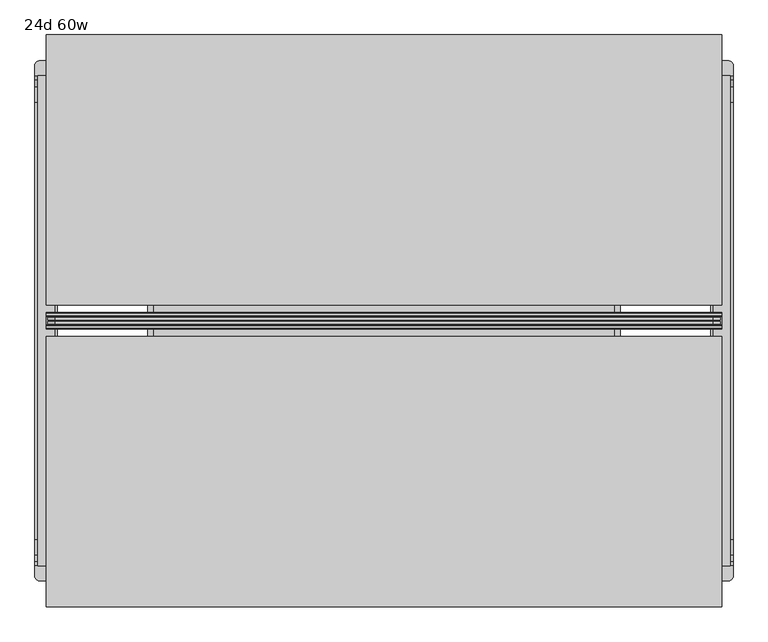
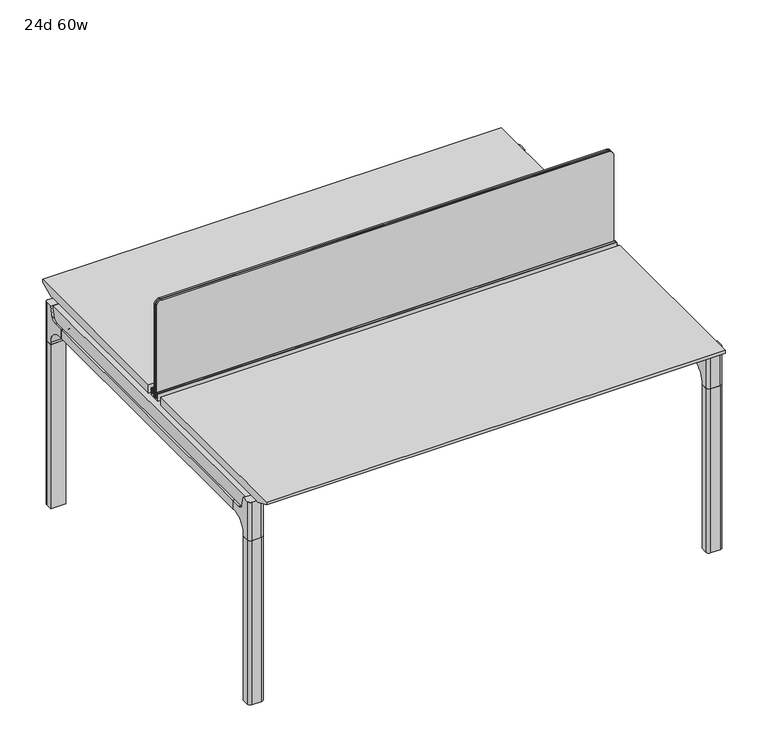
"""IFC4 building model written with IfcOpenShell, lengths in millimetres: furniture geometry, 24d 60w."""

import ifcopenshell
import ifcopenshell.guid

model = None  # the IFC model being written
_history = None  # IfcOwnerHistory: only IFC2X3 demands one
_inside = {}  # id of a spatial element -> (the spatial element, [elements in it])
_under = {}  # id of a project, library or spatial element -> (it, [spatial elements below it])
_declared = {}  # id of a project -> (the project, [libraries it declares])
_typed = {}  # id of a type object -> (the type object, [elements of that type])
_made_of = {}  # id of a material, layer set ... -> (it, [elements and type objects made of it])


def new_model(schema):
    """Start an empty IFC model of exactly this schema.

    Asked for "IFC4X3", IfcOpenShell would pick the latest addendum, in which some entities
    have other attributes; the version numbers below select the first issue.
    IFC2X3 requires an IfcOwnerHistory on every rooted entity: one is made here for all.
    """
    global model, _history
    if schema == "IFC4X3":
        model = ifcopenshell.file(schema_version=(4, 3, 0, 0))
    else:
        model = ifcopenshell.file(schema=schema)
    _inside.clear()
    _under.clear()
    _declared.clear()
    _typed.clear()
    _made_of.clear()
    _history = None
    if model.schema == "IFC2X3":
        org = make("IfcOrganization", Name="unknown")
        user = make(
            "IfcPersonAndOrganization",
            ThePerson=make("IfcPerson", FamilyName="unknown"),
            TheOrganization=org,
        )
        app = make(
            "IfcApplication",
            ApplicationDeveloper=org,
            Version="unknown",
            ApplicationFullName="unknown",
            ApplicationIdentifier="unknown",
        )
        _history = make(
            "IfcOwnerHistory",
            OwningUser=user,
            OwningApplication=app,
            ChangeAction="ADDED",
            CreationDate=0,
        )
    return model


def make(cls, **values):
    """One entity of the class cls with the attributes given. An attribute that is None is left unset."""
    return model.create_entity(
        cls, **{name: value for name, value in values.items() if value is not None}
    )


def rooted(cls, **values):
    """An entity with a GlobalId (a new one), such as an element, a storey or a relation."""
    return make(cls, GlobalId=ifcopenshell.guid.new(), OwnerHistory=_history, **values)


def si_unit(unit_type, name, prefix=None):
    """IfcSIUnit, for example si_unit("LENGTHUNIT", "METRE", prefix="MILLI")."""
    return make("IfcSIUnit", UnitType=unit_type, Prefix=prefix, Name=name)


def assignment(units):
    """IfcUnitAssignment: the units of a project."""
    return None if units is None else make("IfcUnitAssignment", Units=units)


def point(xyz):
    """IfcCartesianPoint."""
    return None if xyz is None else make("IfcCartesianPoint", Coordinates=xyz)


def direction(xyz):
    """IfcDirection."""
    return None if xyz is None else make("IfcDirection", DirectionRatios=xyz)


def frame(location, z_axis=None, x_axis=None):
    """IfcAxis2Placement3D, a coordinate frame: its origin and axes. An axis left out is left unset."""
    return make(
        "IfcAxis2Placement3D",
        Location=point(location),
        Axis=direction(z_axis),
        RefDirection=direction(x_axis),
    )


def frame_2d(location, x_axis=None):
    """IfcAxis2Placement2D, a coordinate frame in the plane: its origin and x axis."""
    return make(
        "IfcAxis2Placement2D", Location=point(location), RefDirection=direction(x_axis)
    )


def origin():
    """The frame at (0, 0, 0) with its axes left unset."""
    return frame((0.0, 0.0, 0.0))


def place(relative_to, where):
    """IfcLocalPlacement: puts the frame where relative to a parent placement (None: the world)."""
    return make(
        "IfcLocalPlacement", PlacementRelTo=relative_to, RelativePlacement=where
    )


def context(
    kind, dimensions, precision=None, world=None, true_north=None, identifier=None
):
    """IfcGeometricRepresentationContext, for example the 3D "Model" context."""
    return make(
        "IfcGeometricRepresentationContext",
        ContextIdentifier=identifier,
        ContextType=kind,
        CoordinateSpaceDimension=dimensions,
        Precision=precision,
        WorldCoordinateSystem=world,
        TrueNorth=true_north,
    )


def project(units=None, contexts=None):
    """IfcProject with its units and contexts."""
    return rooted(
        "IfcProject",
        Name="project",
        RepresentationContexts=contexts,
        UnitsInContext=assignment(units),
    )


def spatial(cls, under=None, at=None, **own):
    """A site, building, storey or space (cls), placed at a placement, below another one or the project."""
    s = rooted(cls, ObjectPlacement=at, **own)
    if under is not None:
        _under.setdefault(under.id(), (under, []))[1].append(s)
    return s


def polyline(points):
    """IfcPolyline through the points."""
    return make("IfcPolyline", Points=[point(p) for p in points])


def circle_curve(where, radius):
    """IfcCircle in the frame where."""
    return make("IfcCircle", Position=where, Radius=radius)


def trimmed(basis, trim1, trim2, sense, master):
    """IfcTrimmedCurve: the piece of a basis curve between two trims."""
    return make(
        "IfcTrimmedCurve",
        BasisCurve=basis,
        Trim1=trim1,
        Trim2=trim2,
        SenseAgreement=sense,
        MasterRepresentation=master,
    )


def segment(curve, same_sense, transition):
    """IfcCompositeCurveSegment."""
    return make(
        "IfcCompositeCurveSegment",
        Transition=transition,
        SameSense=same_sense,
        ParentCurve=curve,
    )


def composite_curve(segments, self_intersect=None):
    """IfcCompositeCurve: segments joined end to end."""
    return make("IfcCompositeCurve", Segments=segments, SelfIntersect=self_intersect)


def outline(outer, holes=None, kind="AREA"):
    """IfcArbitraryClosedProfileDef: a profile drawn as a closed curve; with holes, ...WithVoids."""
    if holes is None:
        return make("IfcArbitraryClosedProfileDef", ProfileType=kind, OuterCurve=outer)
    return make(
        "IfcArbitraryProfileDefWithVoids",
        ProfileType=kind,
        OuterCurve=outer,
        InnerCurves=holes,
    )


def extrude(swept, where, along, depth):
    """IfcExtrudedAreaSolid: the profile swept, set in the frame where, extruded along a direction by depth."""
    return make(
        "IfcExtrudedAreaSolid",
        SweptArea=swept,
        Position=where,
        ExtrudedDirection=direction(along),
        Depth=depth,
    )


def shape(context_of_items, identifier, shape_type, items):
    """IfcShapeRepresentation: the items that make up one representation, for example the "Body"."""
    return make(
        "IfcShapeRepresentation",
        ContextOfItems=context_of_items,
        RepresentationIdentifier=identifier,
        RepresentationType=shape_type,
        Items=items,
    )


def source(mapping_origin, context_of_items, identifier, shape_type, items):
    """IfcRepresentationMap: a shape defined once, which mapped items show again and again."""
    return make(
        "IfcRepresentationMap",
        MappingOrigin=mapping_origin,
        MappedRepresentation=shape(context_of_items, identifier, shape_type, items),
    )


def transform(
    local_origin,
    x_axis=None,
    y_axis=None,
    z_axis=None,
    scale=None,
    scale2=None,
    scale3=None,
    uniform=True,
):
    """IfcCartesianTransformationOperator3D, or its non-uniform kind. x_axis, y_axis, z_axis: its Axis1, 2, 3."""
    if uniform:
        return make(
            "IfcCartesianTransformationOperator3D",
            Axis1=direction(x_axis),
            Axis2=direction(y_axis),
            LocalOrigin=point(local_origin),
            Scale=scale,
            Axis3=direction(z_axis),
        )
    return make(
        "IfcCartesianTransformationOperator3DnonUniform",
        Axis1=direction(x_axis),
        Axis2=direction(y_axis),
        LocalOrigin=point(local_origin),
        Scale=scale,
        Axis3=direction(z_axis),
        Scale2=scale2,
        Scale3=scale3,
    )


def mapped(mapping_source, mapping_target):
    """IfcMappedItem: shows the shape of a source again, moved by a transform."""
    return make(
        "IfcMappedItem", MappingSource=mapping_source, MappingTarget=mapping_target
    )


def made_of(thing, what):
    """Note that an element or type object is made of a material, layer set ...; save() writes the relation."""
    if what is not None:
        _made_of.setdefault(what.id(), (what, []))[1].append(thing)
    return thing


def element(
    cls,
    number,
    at=None,
    inside=None,
    cuts=None,
    type_object=None,
    material=None,
    context=None,
    identifier="Body",
    shape_type=None,
    held_by="IfcProductDefinitionShape",
    body=None,
    shapes=None,
    **own,
):
    """One element of the class cls, such as IfcWall. Its Tag is "e" and its number.

    at: its placement. inside: the storey or other place that contains it. cuts: it is an
    opening in that element (IfcRelVoidsElement). A single representation is given by context,
    identifier, shape_type and body (its items); several are given by shapes. held_by: the class
    of the entity that holds the representations. save() writes the other relations.
    """
    e = rooted(cls, Tag="e%d" % number, ObjectPlacement=at, **own)
    if body is not None:
        shapes = [shape(context, identifier, shape_type, body)]
    if shapes is not None:
        e.Representation = make(held_by, Representations=shapes)
    if inside is not None:
        _inside.setdefault(inside.id(), (inside, []))[1].append(e)
    if cuts is not None:
        rooted(
            "IfcRelVoidsElement", RelatingBuildingElement=cuts, RelatedOpeningElement=e
        )
    if type_object is not None:
        _typed.setdefault(type_object.id(), (type_object, []))[1].append(e)
    return made_of(e, material)


def aggregate(whole, parts):
    """IfcRelAggregates: a whole, such as a stair, and the parts it consists of."""
    return rooted("IfcRelAggregates", RelatingObject=whole, RelatedObjects=parts)


def save(model, path):
    """Write the relations noted so far, then the file.

    IfcRelAggregates (storeys below a building ...), IfcRelContainedInSpatialStructure (elements
    in a storey), IfcRelDefinesByType, IfcRelAssociatesMaterial and IfcRelDeclares: one each for
    every whole, place, type object, material and project.
    """
    for whole, parts in _under.values():
        aggregate(whole, parts)
    for where, things in _inside.values():
        rooted(
            "IfcRelContainedInSpatialStructure",
            RelatedElements=things,
            RelatingStructure=where,
        )
    for kind, things in _typed.values():
        rooted("IfcRelDefinesByType", RelatedObjects=things, RelatingType=kind)
    for what, things in _made_of.values():
        rooted("IfcRelAssociatesMaterial", RelatedObjects=things, RelatingMaterial=what)
    for by, libraries in _declared.values():
        rooted("IfcRelDeclares", RelatingContext=by, RelatedDefinitions=libraries)
    model.write(path)


def plane_surface(at):
    """IfcPlane: the flat surface through the origin of the frame at, square to its z axis."""
    return make("IfcPlane", Position=at)


def cylinder_surface(at, radius):
    """IfcCylindricalSurface: all points at the distance radius from the z axis of the frame at."""
    return make("IfcCylindricalSurface", Position=at, Radius=radius)


def revolved_surface(curve, axis_point, axis_direction):
    """IfcSurfaceOfRevolution: the curve turned about the line through axis_point along axis_direction."""
    return make(
        "IfcSurfaceOfRevolution",
        SweptCurve=make("IfcArbitraryOpenProfileDef", ProfileType="CURVE", Curve=curve),
        AxisPosition=make("IfcAxis1Placement", Location=point(axis_point), Axis=direction(axis_direction)),
    )


def advanced_brep(points, edges, surfaces, faces):
    """IfcAdvancedBrep: a solid bounded by faces that lie on surfaces and meet in shared edges.

    An edge is (start, end): straight between two places in points (the first is 0);
    or (start, end, curve); or (start, end, curve, False) where it runs against its curve.
    A face is (place in surfaces, loops), or (place, loops, False) where it looks against
    its surface's normal. A loop lists edges by number (the first is 1), with a minus sign
    where the edge is run from its end to its start. The first loop is the outer one.
    """
    corners = [point(p) for p in points]
    vertices = [make("IfcVertexPoint", VertexGeometry=c) for c in corners]
    made = []
    for start, end, *more in edges:
        made.append(
            make(
                "IfcEdgeCurve",
                EdgeStart=vertices[start],
                EdgeEnd=vertices[end],
                EdgeGeometry=more[0] if more else make("IfcPolyline", Points=[corners[start], corners[end]]),
                SameSense=more[1] if len(more) > 1 else True,
            )
        )
    hull = []
    for where, loops, *sense in faces:
        bounds = []
        for j, loop in enumerate(loops):
            ring = [make("IfcOrientedEdge", EdgeElement=made[abs(k) - 1], Orientation=k > 0) for k in loop]
            bounds.append(
                make(
                    "IfcFaceOuterBound" if j == 0 else "IfcFaceBound",
                    Bound=make("IfcEdgeLoop", EdgeList=ring),
                    Orientation=True,
                )
            )
        hull.append(make("IfcAdvancedFace", Bounds=bounds, FaceSurface=surfaces[where], SameSense=sense[0] if sense else True))
    return make("IfcAdvancedBrep", Outer=make("IfcClosedShell", CfsFaces=hull))


def furniture_24d_60w_6859068b(model_context):
    return source(origin(), model_context, "Body", "SolidModel", [
        extrude(outline(composite_curve([segment(polyline([(1054.89375, 955.675), (1054.89375, -523.875)]), True, "CONTINUOUS"), segment(trimmed(circle_curve(frame_2d((1039.01875, -523.875)), 15.875), [point((1054.89375, -523.875))], [point((1039.01875, -539.75))], False, "CARTESIAN"), True, "CONTINUOUS"), segment(polyline([(1039.01875, -539.75), (720.725, -539.75), (720.725, 971.55), (1039.01875, 971.55)]), True, "CONTINUOUS"), segment(trimmed(circle_curve(frame_2d((1039.01875, 955.675)), 15.875), [point((1039.01875, 971.55))], [point((1054.89375, 955.675))], False, "CARTESIAN"), True, "CONTINUOUS")], self_intersect=False)), frame((0.0, -201.3409766, 0.0), z_axis=(0.0, 1.0, 0.0), x_axis=(0.0, 0.0, 1.0)), (0.0, 0.0, 1.0), 3.175),
        extrude(outline(composite_curve([segment(polyline([(1058.06875, 958.85), (1058.06875, -527.05)]), True, "CONTINUOUS"), segment(trimmed(circle_curve(frame_2d((1042.19375, -527.05)), 15.875), [point((1058.06875, -527.05))], [point((1042.19375, -542.925))], False, "CARTESIAN"), True, "CONTINUOUS"), segment(polyline([(1042.19375, -542.925), (717.55, -542.925), (717.55, 974.725), (1042.19375, 974.725)]), True, "CONTINUOUS"), segment(trimmed(circle_curve(frame_2d((1042.19375, 958.85)), 15.875), [point((1042.19375, 974.725))], [point((1058.06875, 958.85))], False, "CARTESIAN"), True, "CONTINUOUS")], self_intersect=False)), frame((0.0, -198.1659766, 0.0), z_axis=(0.0, 1.0, 0.0), x_axis=(0.0, 0.0, 1.0)), (0.0, 0.0, 1.0), 5.55625),
        extrude(outline(composite_curve([segment(polyline([(1058.06875, 958.85), (1058.06875, -527.05)]), True, "CONTINUOUS"), segment(trimmed(circle_curve(frame_2d((1042.19375, -527.05)), 15.875), [point((1058.06875, -527.05))], [point((1042.19375, -542.925))], False, "CARTESIAN"), True, "CONTINUOUS"), segment(polyline([(1042.19375, -542.925), (717.55, -542.925), (717.55, 974.725), (1042.19375, 974.725)]), True, "CONTINUOUS"), segment(trimmed(circle_curve(frame_2d((1042.19375, 958.85)), 15.875), [point((1042.19375, 974.725))], [point((1058.06875, 958.85))], False, "CARTESIAN"), True, "CONTINUOUS")], self_intersect=False)), frame((0.0, -206.8972266, 0.0), z_axis=(0.0, 1.0, 0.0), x_axis=(0.0, 0.0, 1.0)), (0.0, 0.0, 1.0), 5.55625),
        extrude(outline(polyline([(-348.9784469, 559.4636683), (-364.040663, 627.7843353), (-35.4662901, 627.7843353), (-50.5285062, 559.4636683), (-46.7502281, 557.2647146), (-46.7502281, 549.3667827), (-62.6252238, 521.8704736), (-336.8817293, 521.8704736), (-352.756725, 549.3667827), (-352.756725, 557.2647146), (-348.9784469, 559.4636683)])), frame((736.6, 0.0, 0.0), z_axis=(1.0, 0.0, 0.0), x_axis=(0.0, 1.0, 0.0)), (0.0, 0.0, 1.0), 12.7),
        extrude(outline(polyline([(-348.9784469, 559.4636683), (-364.040663, 627.7843353), (-35.4662901, 627.7843353), (-50.5285062, 559.4636683), (-46.7502281, 557.2647146), (-46.7502281, 549.3667827), (-62.6252238, 521.8704736), (-336.8817293, 521.8704736), (-352.756725, 549.3667827), (-352.756725, 557.2647146), (-348.9784469, 559.4636683)])), frame((-317.5, 0.0, 0.0), z_axis=(1.0, 0.0, 0.0), x_axis=(0.0, 1.0, 0.0)), (0.0, 0.0, 1.0), 12.7),
        extrude(outline(polyline([(-18.0090763, 698.5), (3.7767266, 698.5), (3.7767266, 697.2935087), (-17.4495292, 697.2935087), (-19.0070753, 695.7359626), (-49.1186716, 559.1528512), (-50.5285062, 559.4636683), (-20.404074, 696.1050023), (-18.0090763, 698.5)])), frame((-317.5, 0.0, 0.0), z_axis=(1.0, 0.0, 0.0), x_axis=(0.0, 1.0, 0.0)), (0.0, 0.0, 1.0), 31.8008024),
        extrude(outline(polyline([(-381.4978768, 698.5), (-379.1028791, 696.1050023), (-348.9784469, 559.4636683), (-350.3882815, 559.1528512), (-380.4998778, 695.7359626), (-382.0574239, 697.2935087), (-403.2836797, 697.2935087), (-403.2836797, 698.5), (-381.4978768, 698.5)])), frame((-317.5, 0.0, 0.0), z_axis=(1.0, 0.0, 0.0), x_axis=(0.0, 1.0, 0.0)), (0.0, 0.0, 1.0), 31.8008024),
        extrude(outline(polyline([(-18.0090763, 698.5), (3.7767266, 698.5), (3.7767266, 697.2935087), (-17.4495292, 697.2935087), (-19.0070753, 695.7359626), (-49.1186716, 559.1528512), (-50.5285062, 559.4636683), (-20.404074, 696.1050023), (-18.0090763, 698.5)])), frame((717.4991976, 0.0, 0.0), z_axis=(1.0, 0.0, 0.0), x_axis=(0.0, 1.0, 0.0)), (0.0, 0.0, 1.0), 31.8008024),
        extrude(outline(polyline([(-381.4978768, 698.5), (-379.1028791, 696.1050023), (-348.9784469, 559.4636683), (-350.3882815, 559.1528512), (-380.4998778, 695.7359626), (-382.0574239, 697.2935087), (-403.2836797, 697.2935087), (-403.2836797, 698.5), (-381.4978768, 698.5)])), frame((717.4991976, 0.0, 0.0), z_axis=(1.0, 0.0, 0.0), x_axis=(0.0, 1.0, 0.0)), (0.0, 0.0, 1.0), 31.8008024),
        extrude(outline(polyline([(-353.550475, 557.5934966), (-351.518477, 559.6254947), (-350.957211, 559.0642287), (-352.756725, 557.2647146), (-352.756725, 549.3667827), (-352.5317745, 548.5272622), (-337.4390802, 522.3859395), (-336.0037101, 521.5572272), (-63.503243, 521.5572272), (-62.0678729, 522.3859395), (-46.9751786, 548.5272622), (-46.7502281, 549.3667827), (-46.7502281, 557.2647146), (-48.5497421, 559.0642287), (-47.9884761, 559.6254947), (-45.9564781, 557.5934966), (-45.9564781, 549.2622828), (-46.2355217, 548.2208856), (-61.4868074, 521.8048744), (-63.2905581, 520.7634772), (-336.216395, 520.7634772), (-338.0201457, 521.8048744), (-353.2714314, 548.2208856), (-353.550475, 549.2622828), (-353.550475, 557.5934966)])), frame((-317.4492037, 0.0, 0.0), z_axis=(1.0, 0.0, 0.0), x_axis=(0.0, 1.0, 0.0)), (0.0, 0.0, 1.0), 1066.7492037),
        extrude(outline(polyline([(-218.8034766, 715.9625), (-218.8034766, 741.3625), (-217.2159766, 741.3625), (-217.2159766, 720.725), (-210.8659766, 720.725), (-210.8659766, 741.3625), (-209.2784766, 741.3625), (-209.2784766, 717.55), (-190.2284766, 717.55), (-190.2284766, 741.3625), (-188.6409766, 741.3625), (-188.6409766, 720.725), (-182.2909766, 720.725), (-182.2909766, 741.3625), (-180.7034766, 741.3625), (-180.7034766, 715.9625), (-218.8034766, 715.9625)])), frame((-546.1, 0.0, 0.0), z_axis=(1.0, 0.0, 0.0), x_axis=(0.0, 1.0, 0.0)), (0.0, 0.0, 1.0), 1524.0),
        extrude(outline(composite_curve([segment(polyline([(353.4902734, 711.2), (344.4321726, 677.3947076)]), True, "CONTINUOUS"), segment(trimmed(circle_curve(frame_2d((329.0981001, 681.5034599)), 15.875), [point((344.4321726, 677.3947076))], [point((329.0981001, 665.6284599))], False, "CARTESIAN"), True, "CONTINUOUS"), segment(polyline([(329.0981001, 665.6284599), (-728.6050533, 665.6284599)]), True, "CONTINUOUS"), segment(trimmed(circle_curve(frame_2d((-728.6050533, 681.5034599)), 15.875), [point((-728.6050533, 665.6284599))], [point((-743.9391258, 677.3947076))], False, "CARTESIAN"), True, "CONTINUOUS"), segment(polyline([(-743.9391258, 677.3947076), (-752.9972266, 711.2), (353.4902734, 711.2)]), True, "CONTINUOUS")], self_intersect=False)), frame((958.85, 0.0, 0.0), z_axis=(1.0, 0.0, 0.0), x_axis=(0.0, 1.0, 0.0)), (0.0, 0.0, 1.0), 38.1),
        extrude(outline(polyline([(1003.3, 293.1652734), (1003.3, -692.6722266), (952.5, -692.6722266), (952.5, 293.1652734), (1003.3, 293.1652734)])), frame((0.0, 0.0, 635.6476591), z_axis=(0.0, 0.0, 1.0), x_axis=(1.0, 0.0, 0.0)), (0.0, 0.0, 1.0), 29.9808008),
        extrude(outline(composite_curve([segment(polyline([(353.4902734, 711.2), (344.4321726, 677.3947076)]), True, "CONTINUOUS"), segment(trimmed(circle_curve(frame_2d((329.0981001, 681.5034599)), 15.875), [point((344.4321726, 677.3947076))], [point((329.0981001, 665.6284599))], False, "CARTESIAN"), True, "CONTINUOUS"), segment(polyline([(329.0981001, 665.6284599), (-728.6050533, 665.6284599)]), True, "CONTINUOUS"), segment(trimmed(circle_curve(frame_2d((-728.6050533, 681.5034599)), 15.875), [point((-728.6050533, 665.6284599))], [point((-743.9391258, 677.3947076))], False, "CARTESIAN"), True, "CONTINUOUS"), segment(polyline([(-743.9391258, 677.3947076), (-752.9972266, 711.2), (353.4902734, 711.2)]), True, "CONTINUOUS")], self_intersect=False)), frame((-565.15, 0.0, 0.0), z_axis=(1.0, 0.0, 0.0), x_axis=(0.0, 1.0, 0.0)), (0.0, 0.0, 1.0), 38.1),
        extrude(outline(polyline([(-520.7, 293.1652734), (-520.7, -692.6722266), (-571.5, -692.6722266), (-571.5, 293.1652734), (-520.7, 293.1652734)])), frame((0.0, 0.0, 635.6476591), z_axis=(0.0, 0.0, 1.0), x_axis=(1.0, 0.0, 0.0)), (0.0, 0.0, 1.0), 29.9808008),
        advanced_brep(
        [(1003.3, 353.5366022, 711.2), (1003.3, 344.4785014, 677.3947076), (1003.3, 329.1444289, 665.6284599), (1003.3, 293.1652734, 665.6284599), (1003.3, 293.1652734, 635.6476591), (1003.3, 304.2777734, 635.6476591), (1003.3, 355.0777734, 584.8476591), (1003.3, 355.0777734, 576.659375), (1003.3, 377.3027734, 576.659375), (1003.3, 377.3027734, 711.2), (952.5, 355.0777734, 576.659375), (952.5, 355.0777734, 584.8476591), (952.5, 304.2777734, 635.6476591), (952.5, 293.1652734, 635.6476591), (952.5, 293.1652734, 665.6284599), (952.5, 329.1444289, 665.6284599), (952.5, 344.4785014, 677.3947076), (952.5, 353.5366022, 711.2), (952.5, 377.3027734, 711.2), (952.5, 377.3027734, 576.659375), (993.775, 386.8277734, 711.2), (962.025, 386.8277734, 711.2), (962.025, 386.8277734, 576.659375), (993.775, 386.8277734, 576.659375)],
        [
            (0, 1),
            (1, 2, circle_curve(frame((1003.3, 329.1444289, 681.5034599), z_axis=(-1.0, 0.0, 0.0), x_axis=(0.0, 1.0, 0.0)), 15.875)),
            (2, 3),
            (3, 4),
            (4, 5),
            (5, 6, circle_curve(frame((1003.3, 304.2777734, 584.8476591), z_axis=(-1.0, 0.0, 0.0), x_axis=(0.0, 1.0, 0.0)), 50.8)),
            (6, 7),
            (7, 8),
            (8, 9),
            (9, 0),
            (10, 11),
            (11, 12, circle_curve(frame((952.5, 304.2777734, 584.8476591), z_axis=(1.0, 0.0, 0.0), x_axis=(0.0, 1.0, 0.0)), 50.8)),
            (12, 13),
            (13, 14),
            (14, 15),
            (15, 16, circle_curve(frame((952.5, 329.1444289, 681.5034599), z_axis=(1.0, 0.0, 0.0), x_axis=(0.0, 1.0, 0.0)), 15.875)),
            (16, 17),
            (17, 18),
            (18, 19),
            (19, 10),
            (17, 0),
            (9, 20, circle_curve(frame((993.775, 377.3027734, 711.2), z_axis=(0.0, 0.0, 1.0), x_axis=(-1.0, 0.0, 0.0)), 9.525)),
            (20, 21),
            (21, 18, circle_curve(frame((962.025, 377.3027734, 711.2), z_axis=(0.0, 0.0, 1.0), x_axis=(-1.0, 0.0, 0.0)), 9.525)),
            (16, 1),
            (15, 2),
            (14, 3),
            (13, 4),
            (12, 5),
            (7, 10),
            (19, 22, circle_curve(frame((962.025, 377.3027734, 576.659375), z_axis=(0.0, 0.0, -1.0), x_axis=(-1.0, 0.0, 0.0)), 9.525)),
            (22, 23),
            (23, 8, circle_curve(frame((993.775, 377.3027734, 576.659375), z_axis=(0.0, 0.0, -1.0), x_axis=(-1.0, 0.0, 0.0)), 9.525)),
            (11, 6),
            (23, 20),
            (21, 22),
        ],
        [
            plane_surface(frame((1003.3, 393.754303, 711.2), z_axis=(1.0, 0.0, 0.0), x_axis=(0.0, -1.0, 0.0))),
            plane_surface(frame((952.5, 393.754303, 711.2), z_axis=(-1.0, 0.0, 0.0), x_axis=(0.0, 1.0, 0.0))),
            plane_surface(frame((1003.3, 393.754303, 711.2), z_axis=(0.0, 0.0, 1.0), x_axis=(-1.0, 0.0, 0.0))),
            plane_surface(frame((1003.3, 353.5366022, 711.2), z_axis=(0.0, -0.9659258262890683, 0.2588190451025207), x_axis=(-1.0, 0.0, 0.0))),
            revolved_surface(polyline([(952.5, 345.0194289, 681.5034599), (1003.3, 345.0194289, 681.5034599)]), (952.5, 329.1444289, 681.5034599), (-1.0, 0.0, 0.0)),
            plane_surface(frame((1003.3, 329.1444289, 665.6284599), z_axis=(0.0, 0.0, 1.0), x_axis=(-1.0, 0.0, 0.0))),
            plane_surface(frame((1003.3, 293.1652734, 665.6284599), z_axis=(0.0, -1.0, 0.0), x_axis=(-1.0, 0.0, 0.0))),
            plane_surface(frame((1003.3, 293.1652734, 635.6476591), z_axis=(0.0, 0.0, -1.0), x_axis=(-1.0, 0.0, 0.0))),
            plane_surface(frame((1003.3, 355.0777734, 576.659375), z_axis=(0.0, 0.0, -1.0), x_axis=(-1.0, 0.0, 0.0))),
            revolved_surface(polyline([(952.5, 355.0777734, 584.8476591), (1003.3, 355.0777734, 584.8476591)]), (952.5, 304.2777734, 584.8476591), (-1.0, 0.0, 0.0)),
            plane_surface(frame((1003.3, 355.0777734, 584.8476591), z_axis=(0.0, -1.0, 0.0), x_axis=(-1.0, 0.0, 0.0))),
            cylinder_surface(frame((993.775, 377.3027734, 524.9807374), z_axis=(0.0, 0.0, -1.0), x_axis=(-1.0, 0.0, 0.0)), 9.525),
            cylinder_surface(frame((962.025, 377.3027734, 524.9807374), z_axis=(0.0, 0.0, -1.0), x_axis=(-1.0, 0.0, 0.0)), 9.525),
            plane_surface(frame((962.025, 386.8277734, 711.2), z_axis=(0.0, 1.0, 0.0), x_axis=(0.0, 0.0, -1.0))),
        ],
        [
            (0, [[1, 2, 3, 4, 5, 6, 7, 8, 9, 10]]),
            (1, [[11, 12, 13, 14, 15, 16, 17, 18, 19, 20]]),
            (2, [[21, -10, 22, 23, 24, -18]]),
            (3, [[-1, -21, -17, 25]]),
            (4, [[-2, -25, -16, 26]]),
            (5, [[-3, -26, -15, 27]]),
            (6, [[-4, -27, -14, 28]]),
            (7, [[-5, -28, -13, 29]]),
            (8, [[30, -20, 31, 32, 33, -8]]),
            (9, [[-6, -29, -12, 34]]),
            (10, [[-7, -34, -11, -30]]),
            (11, [[35, -22, -9, -33]]),
            (12, [[36, -31, -19, -24]]),
            (13, [[-35, -32, -36, -23]]),
        ],
    ),
        advanced_brep(
        [(952.5, 355.0777734, 576.659375), (1003.3, 355.0777734, 576.659375), (1003.3, 377.3027734, 576.659375), (993.775, 386.8277734, 576.659375), (962.025, 386.8277734, 576.659375), (952.5, 377.3027734, 576.659375), (952.5, 355.0777734, 0.0), (952.5, 377.3027734, 0.0), (962.025, 386.8277734, 0.0), (993.775, 386.8277734, 0.0), (1003.3, 377.3027734, 0.0), (1003.3, 355.0777734, 0.0), (1003.3, 377.3027734, 524.9807374), (993.775, 386.8277734, 524.9807374), (962.025, 386.8277734, 524.9807374), (952.5, 377.3027734, 524.9807374)],
        [
            (0, 1),
            (1, 2),
            (2, 3, circle_curve(frame((993.775, 377.3027734, 576.659375), z_axis=(0.0, 0.0, 1.0), x_axis=(-1.0, 0.0, 0.0)), 9.525)),
            (3, 4),
            (4, 5, circle_curve(frame((962.025, 377.3027734, 576.659375), z_axis=(0.0, 0.0, 1.0), x_axis=(-1.0, 0.0, 0.0)), 9.525)),
            (5, 0),
            (6, 7),
            (7, 8, circle_curve(frame((962.025, 377.3027734, 0.0), z_axis=(0.0, 0.0, -1.0), x_axis=(-1.0, 0.0, 0.0)), 9.525)),
            (8, 9),
            (9, 10, circle_curve(frame((993.775, 377.3027734, 0.0), z_axis=(0.0, 0.0, -1.0), x_axis=(-1.0, 0.0, 0.0)), 9.525)),
            (10, 11),
            (11, 6),
            (0, 6),
            (11, 1),
            (10, 12),
            (12, 2),
            (9, 13),
            (13, 3),
            (8, 14),
            (14, 4),
            (7, 15),
            (15, 5),
        ],
        [
            plane_surface(frame((1010.4962903, 355.0777734, 576.659375), z_axis=(0.0, 0.0, 1.0), x_axis=(1.0, 0.0, 0.0))),
            plane_surface(frame((1010.4962903, 355.0777734, 0.0), z_axis=(0.0, 0.0, -1.0), x_axis=(-1.0, 0.0, 0.0))),
            plane_surface(frame((952.5, 355.0777734, 576.659375), z_axis=(0.0, -1.0, 0.0), x_axis=(0.0, 0.0, -1.0))),
            plane_surface(frame((1003.3, 355.0777734, 576.659375), z_axis=(1.0, 0.0, 0.0), x_axis=(0.0, 0.0, -1.0))),
            cylinder_surface(frame((993.775, 377.3027734, 0.0), z_axis=(0.0, 0.0, 1.0), x_axis=(-1.0, 0.0, 0.0)), 9.525),
            plane_surface(frame((993.775, 386.8277734, 576.659375), z_axis=(0.0, 1.0, 0.0), x_axis=(0.0, 0.0, -1.0))),
            cylinder_surface(frame((962.025, 377.3027734, 0.0), z_axis=(0.0, 0.0, 1.0), x_axis=(-1.0, 0.0, 0.0)), 9.525),
            plane_surface(frame((952.5, 377.3027734, 576.659375), z_axis=(-1.0, 0.0, 0.0), x_axis=(0.0, 0.0, -1.0))),
        ],
        [
            (0, [[1, 2, 3, 4, 5, 6]]),
            (1, [[7, 8, 9, 10, 11, 12]]),
            (2, [[-1, 13, -12, 14]]),
            (3, [[-2, -14, -11, 15, 16]]),
            (4, [[-3, -16, -15, -10, 17, 18]]),
            (5, [[-4, -18, -17, -9, 19, 20]]),
            (6, [[-5, -20, -19, -8, 21, 22]]),
            (7, [[-6, -22, -21, -7, -13]]),
        ],
    ),
        advanced_brep(
        [(952.5, -753.0435553, 711.2), (952.5, -743.9854545, 677.3947076), (952.5, -728.651382, 665.6284599), (952.5, -692.6722266, 665.6284599), (952.5, -692.6722266, 635.6476591), (952.5, -703.7847266, 635.6476591), (952.5, -754.5847266, 584.8476591), (952.5, -754.5847266, 576.659375), (952.5, -776.8097266, 576.659375), (952.5, -776.8097266, 711.2), (1003.3, -754.5847266, 576.659375), (1003.3, -754.5847266, 584.8476591), (1003.3, -703.7847266, 635.6476591), (1003.3, -692.6722266, 635.6476591), (1003.3, -692.6722266, 665.6284599), (1003.3, -728.651382, 665.6284599), (1003.3, -743.9854545, 677.3947076), (1003.3, -753.0435553, 711.2), (1003.3, -776.8097266, 711.2), (1003.3, -776.8097266, 576.659375), (962.025, -786.3347266, 711.2), (993.775, -786.3347266, 711.2), (993.775, -786.3347266, 576.659375), (962.025, -786.3347266, 576.659375)],
        [
            (0, 1),
            (1, 2, circle_curve(frame((952.5, -728.651382, 681.5034599), z_axis=(1.0, 0.0, 0.0), x_axis=(0.0, -1.0, 0.0)), 15.875)),
            (2, 3),
            (3, 4),
            (4, 5),
            (5, 6, circle_curve(frame((952.5, -703.7847266, 584.8476591), z_axis=(1.0, 0.0, 0.0), x_axis=(0.0, -1.0, 0.0)), 50.8)),
            (6, 7),
            (7, 8),
            (8, 9),
            (9, 0),
            (10, 11),
            (11, 12, circle_curve(frame((1003.3, -703.7847266, 584.8476591), z_axis=(-1.0, 0.0, 0.0), x_axis=(0.0, -1.0, 0.0)), 50.8)),
            (12, 13),
            (13, 14),
            (14, 15),
            (15, 16, circle_curve(frame((1003.3, -728.651382, 681.5034599), z_axis=(-1.0, 0.0, 0.0), x_axis=(0.0, -1.0, 0.0)), 15.875)),
            (16, 17),
            (17, 18),
            (18, 19),
            (19, 10),
            (17, 0),
            (9, 20, circle_curve(frame((962.025, -776.8097266, 711.2), z_axis=(0.0, 0.0, 1.0), x_axis=(1.0, 0.0, 0.0)), 9.525)),
            (20, 21),
            (21, 18, circle_curve(frame((993.775, -776.8097266, 711.2), z_axis=(0.0, 0.0, 1.0), x_axis=(1.0, 0.0, 0.0)), 9.525)),
            (16, 1),
            (15, 2),
            (14, 3),
            (13, 4),
            (12, 5),
            (7, 10),
            (19, 22, circle_curve(frame((993.775, -776.8097266, 576.659375), z_axis=(0.0, 0.0, -1.0), x_axis=(1.0, 0.0, 0.0)), 9.525)),
            (22, 23),
            (23, 8, circle_curve(frame((962.025, -776.8097266, 576.659375), z_axis=(0.0, 0.0, -1.0), x_axis=(1.0, 0.0, 0.0)), 9.525)),
            (11, 6),
            (23, 20),
            (21, 22),
        ],
        [
            plane_surface(frame((952.5, -793.2612561, 711.2), z_axis=(-1.0, 0.0, 0.0), x_axis=(0.0, 1.0, 0.0))),
            plane_surface(frame((1003.3, -793.2612561, 711.2), z_axis=(1.0, 0.0, 0.0), x_axis=(0.0, -1.0, 0.0))),
            plane_surface(frame((952.5, -793.2612561, 711.2), z_axis=(0.0, 0.0, 1.0), x_axis=(1.0, 0.0, 0.0))),
            plane_surface(frame((952.5, -753.0435553, 711.2), z_axis=(0.0, 0.9659258262890683, 0.2588190451025207), x_axis=(1.0, 0.0, 0.0))),
            revolved_surface(polyline([(1003.3, -744.526382, 681.5034599), (952.5, -744.526382, 681.5034599)]), (1003.3, -728.651382, 681.5034599), (1.0, 0.0, 0.0)),
            plane_surface(frame((952.5, -728.651382, 665.6284599), z_axis=(0.0, 0.0, 1.0), x_axis=(1.0, 0.0, 0.0))),
            plane_surface(frame((952.5, -692.6722266, 665.6284599), z_axis=(0.0, 1.0, 0.0), x_axis=(1.0, 0.0, 0.0))),
            plane_surface(frame((952.5, -692.6722266, 635.6476591), z_axis=(0.0, 0.0, -1.0), x_axis=(1.0, 0.0, 0.0))),
            plane_surface(frame((952.5, -754.5847266, 576.659375), z_axis=(0.0, 0.0, -1.0), x_axis=(1.0, 0.0, 0.0))),
            revolved_surface(polyline([(1003.3, -754.5847266, 584.8476591), (952.5, -754.5847266, 584.8476591)]), (1003.3, -703.7847266, 584.8476591), (1.0, 0.0, 0.0)),
            plane_surface(frame((952.5, -754.5847266, 584.8476591), z_axis=(0.0, 1.0, 0.0), x_axis=(1.0, 0.0, 0.0))),
            cylinder_surface(frame((962.025, -776.8097266, 524.9807374), z_axis=(0.0, 0.0, -1.0), x_axis=(1.0, 0.0, 0.0)), 9.525),
            cylinder_surface(frame((993.775, -776.8097266, 524.9807374), z_axis=(0.0, 0.0, -1.0), x_axis=(1.0, 0.0, 0.0)), 9.525),
            plane_surface(frame((993.775, -786.3347266, 711.2), z_axis=(0.0, -1.0, 0.0), x_axis=(0.0, 0.0, -1.0))),
        ],
        [
            (0, [[1, 2, 3, 4, 5, 6, 7, 8, 9, 10]]),
            (1, [[11, 12, 13, 14, 15, 16, 17, 18, 19, 20]]),
            (2, [[21, -10, 22, 23, 24, -18]]),
            (3, [[-1, -21, -17, 25]]),
            (4, [[-2, -25, -16, 26]]),
            (5, [[-3, -26, -15, 27]]),
            (6, [[-4, -27, -14, 28]]),
            (7, [[-5, -28, -13, 29]]),
            (8, [[30, -20, 31, 32, 33, -8]]),
            (9, [[-6, -29, -12, 34]]),
            (10, [[-7, -34, -11, -30]]),
            (11, [[35, -22, -9, -33]]),
            (12, [[36, -31, -19, -24]]),
            (13, [[-35, -32, -36, -23]]),
        ],
    ),
        advanced_brep(
        [(1003.3, -754.5847266, 576.659375), (952.5, -754.5847266, 576.659375), (952.5, -776.8097266, 576.659375), (962.025, -786.3347266, 576.659375), (993.775, -786.3347266, 576.659375), (1003.3, -776.8097266, 576.659375), (1003.3, -754.5847266, 0.0), (1003.3, -776.8097266, 0.0), (993.775, -786.3347266, 0.0), (962.025, -786.3347266, 0.0), (952.5, -776.8097266, 0.0), (952.5, -754.5847266, 0.0), (952.5, -776.8097266, 524.9807374), (962.025, -786.3347266, 524.9807374), (993.775, -786.3347266, 524.9807374), (1003.3, -776.8097266, 524.9807374)],
        [
            (0, 1),
            (1, 2),
            (2, 3, circle_curve(frame((962.025, -776.8097266, 576.659375), z_axis=(0.0, 0.0, 1.0), x_axis=(1.0, 0.0, 0.0)), 9.525)),
            (3, 4),
            (4, 5, circle_curve(frame((993.775, -776.8097266, 576.659375), z_axis=(0.0, 0.0, 1.0), x_axis=(1.0, 0.0, 0.0)), 9.525)),
            (5, 0),
            (6, 7),
            (7, 8, circle_curve(frame((993.775, -776.8097266, 0.0), z_axis=(0.0, 0.0, -1.0), x_axis=(1.0, 0.0, 0.0)), 9.525)),
            (8, 9),
            (9, 10, circle_curve(frame((962.025, -776.8097266, 0.0), z_axis=(0.0, 0.0, -1.0), x_axis=(1.0, 0.0, 0.0)), 9.525)),
            (10, 11),
            (11, 6),
            (0, 6),
            (11, 1),
            (10, 12),
            (12, 2),
            (9, 13),
            (13, 3),
            (8, 14),
            (14, 4),
            (7, 15),
            (15, 5),
        ],
        [
            plane_surface(frame((945.3037097, -754.5847266, 576.659375), z_axis=(0.0, 0.0, 1.0), x_axis=(-1.0, 0.0, 0.0))),
            plane_surface(frame((945.3037097, -754.5847266, 0.0), z_axis=(0.0, 0.0, -1.0), x_axis=(1.0, 0.0, 0.0))),
            plane_surface(frame((1003.3, -754.5847266, 576.659375), z_axis=(0.0, 1.0, 0.0), x_axis=(0.0, 0.0, -1.0))),
            plane_surface(frame((952.5, -754.5847266, 576.659375), z_axis=(-1.0, 0.0, 0.0), x_axis=(0.0, 0.0, -1.0))),
            cylinder_surface(frame((962.025, -776.8097266, 0.0), z_axis=(0.0, 0.0, 1.0), x_axis=(1.0, 0.0, 0.0)), 9.525),
            plane_surface(frame((962.025, -786.3347266, 576.659375), z_axis=(0.0, -1.0, 0.0), x_axis=(0.0, 0.0, -1.0))),
            cylinder_surface(frame((993.775, -776.8097266, 0.0), z_axis=(0.0, 0.0, 1.0), x_axis=(1.0, 0.0, 0.0)), 9.525),
            plane_surface(frame((1003.3, -776.8097266, 576.659375), z_axis=(1.0, 0.0, 0.0), x_axis=(0.0, 0.0, -1.0))),
        ],
        [
            (0, [[1, 2, 3, 4, 5, 6]]),
            (1, [[7, 8, 9, 10, 11, 12]]),
            (2, [[-1, 13, -12, 14]]),
            (3, [[-2, -14, -11, 15, 16]]),
            (4, [[-3, -16, -15, -10, 17, 18]]),
            (5, [[-4, -18, -17, -9, 19, 20]]),
            (6, [[-5, -20, -19, -8, 21, 22]]),
            (7, [[-6, -22, -21, -7, -13]]),
        ],
    ),
        advanced_brep(
        [(-520.7, 353.5366022, 711.2), (-520.7, 344.4785014, 677.3947076), (-520.7, 329.1444289, 665.6284599), (-520.7, 293.1652734, 665.6284599), (-520.7, 293.1652734, 635.6476591), (-520.7, 304.2777734, 635.6476591), (-520.7, 355.0777734, 584.8476591), (-520.7, 355.0777734, 576.659375), (-520.7, 377.3027734, 576.659375), (-520.7, 377.3027734, 711.2), (-571.5, 355.0777734, 576.659375), (-571.5, 355.0777734, 584.8476591), (-571.5, 304.2777734, 635.6476591), (-571.5, 293.1652734, 635.6476591), (-571.5, 293.1652734, 665.6284599), (-571.5, 329.1444289, 665.6284599), (-571.5, 344.4785014, 677.3947076), (-571.5, 353.5366022, 711.2), (-571.5, 377.3027734, 711.2), (-571.5, 377.3027734, 576.659375), (-530.225, 386.8277734, 711.2), (-561.975, 386.8277734, 711.2), (-561.975, 386.8277734, 576.659375), (-530.225, 386.8277734, 576.659375)],
        [
            (0, 1),
            (1, 2, circle_curve(frame((-520.7, 329.1444289, 681.5034599), z_axis=(-1.0, 0.0, 0.0), x_axis=(0.0, 1.0, 0.0)), 15.875)),
            (2, 3),
            (3, 4),
            (4, 5),
            (5, 6, circle_curve(frame((-520.7, 304.2777734, 584.8476591), z_axis=(-1.0, 0.0, 0.0), x_axis=(0.0, 1.0, 0.0)), 50.8)),
            (6, 7),
            (7, 8),
            (8, 9),
            (9, 0),
            (10, 11),
            (11, 12, circle_curve(frame((-571.5, 304.2777734, 584.8476591), z_axis=(1.0, 0.0, 0.0), x_axis=(0.0, 1.0, 0.0)), 50.8)),
            (12, 13),
            (13, 14),
            (14, 15),
            (15, 16, circle_curve(frame((-571.5, 329.1444289, 681.5034599), z_axis=(1.0, 0.0, 0.0), x_axis=(0.0, 1.0, 0.0)), 15.875)),
            (16, 17),
            (17, 18),
            (18, 19),
            (19, 10),
            (17, 0),
            (9, 20, circle_curve(frame((-530.225, 377.3027734, 711.2), z_axis=(0.0, 0.0, 1.0), x_axis=(-1.0, 0.0, 0.0)), 9.525)),
            (20, 21),
            (21, 18, circle_curve(frame((-561.975, 377.3027734, 711.2), z_axis=(0.0, 0.0, 1.0), x_axis=(-1.0, 0.0, 0.0)), 9.525)),
            (16, 1),
            (15, 2),
            (14, 3),
            (13, 4),
            (12, 5),
            (7, 10),
            (19, 22, circle_curve(frame((-561.975, 377.3027734, 576.659375), z_axis=(0.0, 0.0, -1.0), x_axis=(-1.0, 0.0, 0.0)), 9.525)),
            (22, 23),
            (23, 8, circle_curve(frame((-530.225, 377.3027734, 576.659375), z_axis=(0.0, 0.0, -1.0), x_axis=(-1.0, 0.0, 0.0)), 9.525)),
            (11, 6),
            (23, 20),
            (21, 22),
        ],
        [
            plane_surface(frame((-520.7, 393.754303, 711.2), z_axis=(1.0, 0.0, 0.0), x_axis=(0.0, -1.0, 0.0))),
            plane_surface(frame((-571.5, 393.754303, 711.2), z_axis=(-1.0, 0.0, 0.0), x_axis=(0.0, 1.0, 0.0))),
            plane_surface(frame((-520.7, 393.754303, 711.2), z_axis=(0.0, 0.0, 1.0), x_axis=(-1.0, 0.0, 0.0))),
            plane_surface(frame((-520.7, 353.5366022, 711.2), z_axis=(0.0, -0.9659258262890683, 0.2588190451025207), x_axis=(-1.0, 0.0, 0.0))),
            revolved_surface(polyline([(-571.5, 345.0194289, 681.5034599), (-520.7, 345.0194289, 681.5034599)]), (-571.5, 329.1444289, 681.5034599), (-1.0, 0.0, 0.0)),
            plane_surface(frame((-520.7, 329.1444289, 665.6284599), z_axis=(0.0, 0.0, 1.0), x_axis=(-1.0, 0.0, 0.0))),
            plane_surface(frame((-520.7, 293.1652734, 665.6284599), z_axis=(0.0, -1.0, 0.0), x_axis=(-1.0, 0.0, 0.0))),
            plane_surface(frame((-520.7, 293.1652734, 635.6476591), z_axis=(0.0, 0.0, -1.0), x_axis=(-1.0, 0.0, 0.0))),
            plane_surface(frame((-520.7, 355.0777734, 576.659375), z_axis=(0.0, 0.0, -1.0), x_axis=(-1.0, 0.0, 0.0))),
            revolved_surface(polyline([(-571.5, 355.0777734, 584.8476591), (-520.7, 355.0777734, 584.8476591)]), (-571.5, 304.2777734, 584.8476591), (-1.0, 0.0, 0.0)),
            plane_surface(frame((-520.7, 355.0777734, 584.8476591), z_axis=(0.0, -1.0, 0.0), x_axis=(-1.0, 0.0, 0.0))),
            cylinder_surface(frame((-530.225, 377.3027734, 524.9807374), z_axis=(0.0, 0.0, -1.0), x_axis=(-1.0, 0.0, 0.0)), 9.525),
            cylinder_surface(frame((-561.975, 377.3027734, 524.9807374), z_axis=(0.0, 0.0, -1.0), x_axis=(-1.0, 0.0, 0.0)), 9.525),
            plane_surface(frame((-561.975, 386.8277734, 711.2), z_axis=(0.0, 1.0, 0.0), x_axis=(0.0, 0.0, -1.0))),
        ],
        [
            (0, [[1, 2, 3, 4, 5, 6, 7, 8, 9, 10]]),
            (1, [[11, 12, 13, 14, 15, 16, 17, 18, 19, 20]]),
            (2, [[21, -10, 22, 23, 24, -18]]),
            (3, [[-1, -21, -17, 25]]),
            (4, [[-2, -25, -16, 26]]),
            (5, [[-3, -26, -15, 27]]),
            (6, [[-4, -27, -14, 28]]),
            (7, [[-5, -28, -13, 29]]),
            (8, [[30, -20, 31, 32, 33, -8]]),
            (9, [[-6, -29, -12, 34]]),
            (10, [[-7, -34, -11, -30]]),
            (11, [[35, -22, -9, -33]]),
            (12, [[36, -31, -19, -24]]),
            (13, [[-35, -32, -36, -23]]),
        ],
    ),
        advanced_brep(
        [(-571.5, 355.0777734, 576.659375), (-520.7, 355.0777734, 576.659375), (-520.7, 377.3027734, 576.659375), (-530.225, 386.8277734, 576.659375), (-561.975, 386.8277734, 576.659375), (-571.5, 377.3027734, 576.659375), (-571.5, 355.0777734, 0.0), (-571.5, 377.3027734, 0.0), (-561.975, 386.8277734, 0.0), (-530.225, 386.8277734, 0.0), (-520.7, 377.3027734, 0.0), (-520.7, 355.0777734, 0.0), (-520.7, 377.3027734, 524.9807374), (-530.225, 386.8277734, 524.9807374), (-561.975, 386.8277734, 524.9807374), (-571.5, 377.3027734, 524.9807374)],
        [
            (0, 1),
            (1, 2),
            (2, 3, circle_curve(frame((-530.225, 377.3027734, 576.659375), z_axis=(0.0, 0.0, 1.0), x_axis=(-1.0, 0.0, 0.0)), 9.525)),
            (3, 4),
            (4, 5, circle_curve(frame((-561.975, 377.3027734, 576.659375), z_axis=(0.0, 0.0, 1.0), x_axis=(-1.0, 0.0, 0.0)), 9.525)),
            (5, 0),
            (6, 7),
            (7, 8, circle_curve(frame((-561.975, 377.3027734, 0.0), z_axis=(0.0, 0.0, -1.0), x_axis=(-1.0, 0.0, 0.0)), 9.525)),
            (8, 9),
            (9, 10, circle_curve(frame((-530.225, 377.3027734, 0.0), z_axis=(0.0, 0.0, -1.0), x_axis=(-1.0, 0.0, 0.0)), 9.525)),
            (10, 11),
            (11, 6),
            (0, 6),
            (11, 1),
            (10, 12),
            (12, 2),
            (9, 13),
            (13, 3),
            (8, 14),
            (14, 4),
            (7, 15),
            (15, 5),
        ],
        [
            plane_surface(frame((-513.5037097, 355.0777734, 576.659375), z_axis=(0.0, 0.0, 1.0), x_axis=(1.0, 0.0, 0.0))),
            plane_surface(frame((-513.5037097, 355.0777734, 0.0), z_axis=(0.0, 0.0, -1.0), x_axis=(-1.0, 0.0, 0.0))),
            plane_surface(frame((-571.5, 355.0777734, 576.659375), z_axis=(0.0, -1.0, 0.0), x_axis=(0.0, 0.0, -1.0))),
            plane_surface(frame((-520.7, 355.0777734, 576.659375), z_axis=(1.0, 0.0, 0.0), x_axis=(0.0, 0.0, -1.0))),
            cylinder_surface(frame((-530.225, 377.3027734, 0.0), z_axis=(0.0, 0.0, 1.0), x_axis=(-1.0, 0.0, 0.0)), 9.525),
            plane_surface(frame((-530.225, 386.8277734, 576.659375), z_axis=(0.0, 1.0, 0.0), x_axis=(0.0, 0.0, -1.0))),
            cylinder_surface(frame((-561.975, 377.3027734, 0.0), z_axis=(0.0, 0.0, 1.0), x_axis=(-1.0, 0.0, 0.0)), 9.525),
            plane_surface(frame((-571.5, 377.3027734, 576.659375), z_axis=(-1.0, 0.0, 0.0), x_axis=(0.0, 0.0, -1.0))),
        ],
        [
            (0, [[1, 2, 3, 4, 5, 6]]),
            (1, [[7, 8, 9, 10, 11, 12]]),
            (2, [[-1, 13, -12, 14]]),
            (3, [[-2, -14, -11, 15, 16]]),
            (4, [[-3, -16, -15, -10, 17, 18]]),
            (5, [[-4, -18, -17, -9, 19, 20]]),
            (6, [[-5, -20, -19, -8, 21, 22]]),
            (7, [[-6, -22, -21, -7, -13]]),
        ],
    ),
        advanced_brep(
        [(-571.5, -753.0435553, 711.2), (-571.5, -743.9854545, 677.3947076), (-571.5, -728.651382, 665.6284599), (-571.5, -692.6722266, 665.6284599), (-571.5, -692.6722266, 635.6476591), (-571.5, -703.7847266, 635.6476591), (-571.5, -754.5847266, 584.8476591), (-571.5, -754.5847266, 576.659375), (-571.5, -776.8097266, 576.659375), (-571.5, -776.8097266, 711.2), (-520.7, -754.5847266, 576.659375), (-520.7, -754.5847266, 584.8476591), (-520.7, -703.7847266, 635.6476591), (-520.7, -692.6722266, 635.6476591), (-520.7, -692.6722266, 665.6284599), (-520.7, -728.651382, 665.6284599), (-520.7, -743.9854545, 677.3947076), (-520.7, -753.0435553, 711.2), (-520.7, -776.8097266, 711.2), (-520.7, -776.8097266, 576.659375), (-561.975, -786.3347266, 711.2), (-530.225, -786.3347266, 711.2), (-530.225, -786.3347266, 576.659375), (-561.975, -786.3347266, 576.659375)],
        [
            (0, 1),
            (1, 2, circle_curve(frame((-571.5, -728.651382, 681.5034599), z_axis=(1.0, 0.0, 0.0), x_axis=(0.0, -1.0, 0.0)), 15.875)),
            (2, 3),
            (3, 4),
            (4, 5),
            (5, 6, circle_curve(frame((-571.5, -703.7847266, 584.8476591), z_axis=(1.0, 0.0, 0.0), x_axis=(0.0, -1.0, 0.0)), 50.8)),
            (6, 7),
            (7, 8),
            (8, 9),
            (9, 0),
            (10, 11),
            (11, 12, circle_curve(frame((-520.7, -703.7847266, 584.8476591), z_axis=(-1.0, 0.0, 0.0), x_axis=(0.0, -1.0, 0.0)), 50.8)),
            (12, 13),
            (13, 14),
            (14, 15),
            (15, 16, circle_curve(frame((-520.7, -728.651382, 681.5034599), z_axis=(-1.0, 0.0, 0.0), x_axis=(0.0, -1.0, 0.0)), 15.875)),
            (16, 17),
            (17, 18),
            (18, 19),
            (19, 10),
            (17, 0),
            (9, 20, circle_curve(frame((-561.975, -776.8097266, 711.2), z_axis=(0.0, 0.0, 1.0), x_axis=(1.0, 0.0, 0.0)), 9.525)),
            (20, 21),
            (21, 18, circle_curve(frame((-530.225, -776.8097266, 711.2), z_axis=(0.0, 0.0, 1.0), x_axis=(1.0, 0.0, 0.0)), 9.525)),
            (16, 1),
            (15, 2),
            (14, 3),
            (13, 4),
            (12, 5),
            (7, 10),
            (19, 22, circle_curve(frame((-530.225, -776.8097266, 576.659375), z_axis=(0.0, 0.0, -1.0), x_axis=(1.0, 0.0, 0.0)), 9.525)),
            (22, 23),
            (23, 8, circle_curve(frame((-561.975, -776.8097266, 576.659375), z_axis=(0.0, 0.0, -1.0), x_axis=(1.0, 0.0, 0.0)), 9.525)),
            (11, 6),
            (23, 20),
            (21, 22),
        ],
        [
            plane_surface(frame((-571.5, -793.2612561, 711.2), z_axis=(-1.0, 0.0, 0.0), x_axis=(0.0, 1.0, 0.0))),
            plane_surface(frame((-520.7, -793.2612561, 711.2), z_axis=(1.0, 0.0, 0.0), x_axis=(0.0, -1.0, 0.0))),
            plane_surface(frame((-571.5, -793.2612561, 711.2), z_axis=(0.0, 0.0, 1.0), x_axis=(1.0, 0.0, 0.0))),
            plane_surface(frame((-571.5, -753.0435553, 711.2), z_axis=(0.0, 0.9659258262890683, 0.2588190451025207), x_axis=(1.0, 0.0, 0.0))),
            revolved_surface(polyline([(-520.7, -744.526382, 681.5034599), (-571.5, -744.526382, 681.5034599)]), (-520.7, -728.651382, 681.5034599), (1.0, 0.0, 0.0)),
            plane_surface(frame((-571.5, -728.651382, 665.6284599), z_axis=(0.0, 0.0, 1.0), x_axis=(1.0, 0.0, 0.0))),
            plane_surface(frame((-571.5, -692.6722266, 665.6284599), z_axis=(0.0, 1.0, 0.0), x_axis=(1.0, 0.0, 0.0))),
            plane_surface(frame((-571.5, -692.6722266, 635.6476591), z_axis=(0.0, 0.0, -1.0), x_axis=(1.0, 0.0, 0.0))),
            plane_surface(frame((-571.5, -754.5847266, 576.659375), z_axis=(0.0, 0.0, -1.0), x_axis=(1.0, 0.0, 0.0))),
            revolved_surface(polyline([(-520.7, -754.5847266, 584.8476591), (-571.5, -754.5847266, 584.8476591)]), (-520.7, -703.7847266, 584.8476591), (1.0, 0.0, 0.0)),
            plane_surface(frame((-571.5, -754.5847266, 584.8476591), z_axis=(0.0, 1.0, 0.0), x_axis=(1.0, 0.0, 0.0))),
            cylinder_surface(frame((-561.975, -776.8097266, 524.9807374), z_axis=(0.0, 0.0, -1.0), x_axis=(1.0, 0.0, 0.0)), 9.525),
            cylinder_surface(frame((-530.225, -776.8097266, 524.9807374), z_axis=(0.0, 0.0, -1.0), x_axis=(1.0, 0.0, 0.0)), 9.525),
            plane_surface(frame((-530.225, -786.3347266, 711.2), z_axis=(0.0, -1.0, 0.0), x_axis=(0.0, 0.0, -1.0))),
        ],
        [
            (0, [[1, 2, 3, 4, 5, 6, 7, 8, 9, 10]]),
            (1, [[11, 12, 13, 14, 15, 16, 17, 18, 19, 20]]),
            (2, [[21, -10, 22, 23, 24, -18]]),
            (3, [[-1, -21, -17, 25]]),
            (4, [[-2, -25, -16, 26]]),
            (5, [[-3, -26, -15, 27]]),
            (6, [[-4, -27, -14, 28]]),
            (7, [[-5, -28, -13, 29]]),
            (8, [[30, -20, 31, 32, 33, -8]]),
            (9, [[-6, -29, -12, 34]]),
            (10, [[-7, -34, -11, -30]]),
            (11, [[35, -22, -9, -33]]),
            (12, [[36, -31, -19, -24]]),
            (13, [[-35, -32, -36, -23]]),
        ],
    ),
        advanced_brep(
        [(-520.7, -754.5847266, 576.659375), (-571.5, -754.5847266, 576.659375), (-571.5, -776.8097266, 576.659375), (-561.975, -786.3347266, 576.659375), (-530.225, -786.3347266, 576.659375), (-520.7, -776.8097266, 576.659375), (-520.7, -754.5847266, 0.0), (-520.7, -776.8097266, 0.0), (-530.225, -786.3347266, 0.0), (-561.975, -786.3347266, 0.0), (-571.5, -776.8097266, 0.0), (-571.5, -754.5847266, 0.0), (-571.5, -776.8097266, 524.9807374), (-561.975, -786.3347266, 524.9807374), (-530.225, -786.3347266, 524.9807374), (-520.7, -776.8097266, 524.9807374)],
        [
            (0, 1),
            (1, 2),
            (2, 3, circle_curve(frame((-561.975, -776.8097266, 576.659375), z_axis=(0.0, 0.0, 1.0), x_axis=(1.0, 0.0, 0.0)), 9.525)),
            (3, 4),
            (4, 5, circle_curve(frame((-530.225, -776.8097266, 576.659375), z_axis=(0.0, 0.0, 1.0), x_axis=(1.0, 0.0, 0.0)), 9.525)),
            (5, 0),
            (6, 7),
            (7, 8, circle_curve(frame((-530.225, -776.8097266, 0.0), z_axis=(0.0, 0.0, -1.0), x_axis=(1.0, 0.0, 0.0)), 9.525)),
            (8, 9),
            (9, 10, circle_curve(frame((-561.975, -776.8097266, 0.0), z_axis=(0.0, 0.0, -1.0), x_axis=(1.0, 0.0, 0.0)), 9.525)),
            (10, 11),
            (11, 6),
            (0, 6),
            (11, 1),
            (10, 12),
            (12, 2),
            (9, 13),
            (13, 3),
            (8, 14),
            (14, 4),
            (7, 15),
            (15, 5),
        ],
        [
            plane_surface(frame((-578.6962903, -754.5847266, 576.659375), z_axis=(0.0, 0.0, 1.0), x_axis=(-1.0, 0.0, 0.0))),
            plane_surface(frame((-578.6962903, -754.5847266, 0.0), z_axis=(0.0, 0.0, -1.0), x_axis=(1.0, 0.0, 0.0))),
            plane_surface(frame((-520.7, -754.5847266, 576.659375), z_axis=(0.0, 1.0, 0.0), x_axis=(0.0, 0.0, -1.0))),
            plane_surface(frame((-571.5, -754.5847266, 576.659375), z_axis=(-1.0, 0.0, 0.0), x_axis=(0.0, 0.0, -1.0))),
            cylinder_surface(frame((-561.975, -776.8097266, 0.0), z_axis=(0.0, 0.0, 1.0), x_axis=(1.0, 0.0, 0.0)), 9.525),
            plane_surface(frame((-561.975, -786.3347266, 576.659375), z_axis=(0.0, -1.0, 0.0), x_axis=(0.0, 0.0, -1.0))),
            cylinder_surface(frame((-530.225, -776.8097266, 0.0), z_axis=(0.0, 0.0, 1.0), x_axis=(1.0, 0.0, 0.0)), 9.525),
            plane_surface(frame((-520.7, -776.8097266, 576.659375), z_axis=(1.0, 0.0, 0.0), x_axis=(0.0, 0.0, -1.0))),
        ],
        [
            (0, [[1, 2, 3, 4, 5, 6]]),
            (1, [[7, 8, 9, 10, 11, 12]]),
            (2, [[-1, 13, -12, 14]]),
            (3, [[-2, -14, -11, 15, 16]]),
            (4, [[-3, -16, -15, -10, 17, 18]]),
            (5, [[-4, -18, -17, -9, 19, 20]]),
            (6, [[-5, -20, -19, -8, 21, 22]]),
            (7, [[-6, -22, -21, -7, -13]]),
        ],
    ),
        extrude(outline(polyline([(-164.0347266, 741.3625), (445.5652734, 741.3625), (445.5652734, 731.8375), (394.7652734, 711.2), (-164.0347266, 711.2), (-164.0347266, 741.3625)])), frame((-546.1, 0.0, 0.0), z_axis=(1.0, 0.0, 0.0), x_axis=(0.0, 1.0, 0.0)), (0.0, 0.0, 1.0), 1524.0),
        extrude(outline(polyline([(-845.0722266, 741.3625), (-235.4722266, 741.3625), (-235.4722266, 711.2), (-794.2722266, 711.2), (-845.0722266, 731.8375), (-845.0722266, 741.3625)])), frame((-546.1, 0.0, 0.0), z_axis=(1.0, 0.0, 0.0), x_axis=(0.0, 1.0, 0.0)), (0.0, 0.0, 1.0), 1524.0),
        extrude(outline(polyline([(952.5, 9.7965234), (952.5, -21.9534766), (-520.7, -21.9534766), (-520.7, 9.7965234), (952.5, 9.7965234)])), frame((0.0, 0.0, 646.1125), z_axis=(0.0, 0.0, 1.0), x_axis=(1.0, 0.0, 0.0)), (0.0, 0.0, 1.0), 50.8),
        extrude(outline(polyline([(952.5, -377.5534766), (952.5, -409.3034766), (-520.7, -409.3034766), (-520.7, -377.5534766), (952.5, -377.5534766)])), frame((0.0, 0.0, 646.1125), z_axis=(0.0, 0.0, 1.0), x_axis=(1.0, 0.0, 0.0)), (0.0, 0.0, 1.0), 50.8),
    ])


if __name__ == "__main__":
    model = new_model("IFC4")
    model_context = context("Model", 3, world=origin())
    ifc_project = project(units=[si_unit("LENGTHUNIT", "METRE", prefix="MILLI")], contexts=[model_context])
    site = spatial("IfcSite", under=ifc_project)
    building = spatial("IfcBuilding", under=site)
    placement = place(None, origin())
    furniture_24d_60w_shape = furniture_24d_60w_6859068b(model_context)
    element("IfcFurniture", 1, ObjectType="24d 60w", at=placement, inside=building, context=model_context, shape_type="MappedRepresentation", body=[
        mapped(furniture_24d_60w_shape, transform((0.0, 0.0, 0.0), x_axis=(1.0, 0.0, 0.0), y_axis=(0.0, 1.0, 0.0), z_axis=(0.0, 0.0, 1.0))),
    ])
    save(model, "model.ifc")
